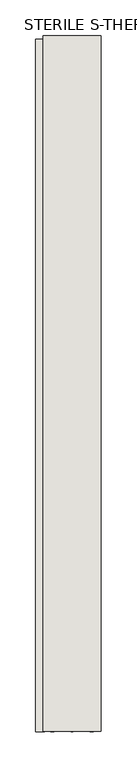
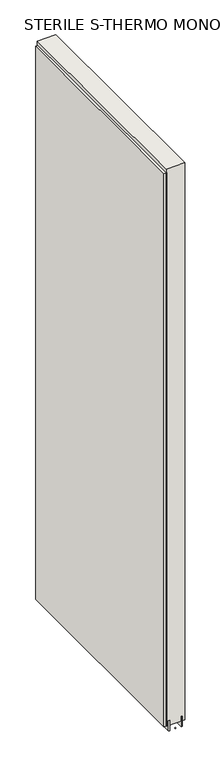
"""IFC4 building model written with IfcOpenShell, lengths in millimetres: wall geometry, STERILE S-THERMO MONO 490060 : STERILE S-THERMO MONO 490060."""

import ifcopenshell
import ifcopenshell.guid

model = None  # the IFC model being written
_history = None  # IfcOwnerHistory: only IFC2X3 demands one
_inside = {}  # id of a spatial element -> (the spatial element, [elements in it])
_under = {}  # id of a project, library or spatial element -> (it, [spatial elements below it])
_declared = {}  # id of a project -> (the project, [libraries it declares])
_typed = {}  # id of a type object -> (the type object, [elements of that type])
_made_of = {}  # id of a material, layer set ... -> (it, [elements and type objects made of it])


def new_model(schema):
    """Start an empty IFC model of exactly this schema.

    Asked for "IFC4X3", IfcOpenShell would pick the latest addendum, in which some entities
    have other attributes; the version numbers below select the first issue.
    IFC2X3 requires an IfcOwnerHistory on every rooted entity: one is made here for all.
    """
    global model, _history
    if schema == "IFC4X3":
        model = ifcopenshell.file(schema_version=(4, 3, 0, 0))
    else:
        model = ifcopenshell.file(schema=schema)
    _inside.clear()
    _under.clear()
    _declared.clear()
    _typed.clear()
    _made_of.clear()
    _history = None
    if model.schema == "IFC2X3":
        org = make("IfcOrganization", Name="unknown")
        user = make(
            "IfcPersonAndOrganization",
            ThePerson=make("IfcPerson", FamilyName="unknown"),
            TheOrganization=org,
        )
        app = make(
            "IfcApplication",
            ApplicationDeveloper=org,
            Version="unknown",
            ApplicationFullName="unknown",
            ApplicationIdentifier="unknown",
        )
        _history = make(
            "IfcOwnerHistory",
            OwningUser=user,
            OwningApplication=app,
            ChangeAction="ADDED",
            CreationDate=0,
        )
    return model


def make(cls, **values):
    """One entity of the class cls with the attributes given. An attribute that is None is left unset."""
    return model.create_entity(
        cls, **{name: value for name, value in values.items() if value is not None}
    )


def rooted(cls, **values):
    """An entity with a GlobalId (a new one), such as an element, a storey or a relation."""
    return make(cls, GlobalId=ifcopenshell.guid.new(), OwnerHistory=_history, **values)


def si_unit(unit_type, name, prefix=None):
    """IfcSIUnit, for example si_unit("LENGTHUNIT", "METRE", prefix="MILLI")."""
    return make("IfcSIUnit", UnitType=unit_type, Prefix=prefix, Name=name)


def assignment(units):
    """IfcUnitAssignment: the units of a project."""
    return None if units is None else make("IfcUnitAssignment", Units=units)


def point(xyz):
    """IfcCartesianPoint."""
    return None if xyz is None else make("IfcCartesianPoint", Coordinates=xyz)


def direction(xyz):
    """IfcDirection."""
    return None if xyz is None else make("IfcDirection", DirectionRatios=xyz)


def frame(location, z_axis=None, x_axis=None):
    """IfcAxis2Placement3D, a coordinate frame: its origin and axes. An axis left out is left unset."""
    return make(
        "IfcAxis2Placement3D",
        Location=point(location),
        Axis=direction(z_axis),
        RefDirection=direction(x_axis),
    )


def origin():
    """The frame at (0, 0, 0) with its axes left unset."""
    return frame((0.0, 0.0, 0.0))


def place(relative_to, where):
    """IfcLocalPlacement: puts the frame where relative to a parent placement (None: the world)."""
    return make(
        "IfcLocalPlacement", PlacementRelTo=relative_to, RelativePlacement=where
    )


def context(
    kind, dimensions, precision=None, world=None, true_north=None, identifier=None
):
    """IfcGeometricRepresentationContext, for example the 3D "Model" context."""
    return make(
        "IfcGeometricRepresentationContext",
        ContextIdentifier=identifier,
        ContextType=kind,
        CoordinateSpaceDimension=dimensions,
        Precision=precision,
        WorldCoordinateSystem=world,
        TrueNorth=true_north,
    )


def project(units=None, contexts=None):
    """IfcProject with its units and contexts."""
    return rooted(
        "IfcProject",
        Name="project",
        RepresentationContexts=contexts,
        UnitsInContext=assignment(units),
    )


def spatial(cls, under=None, at=None, **own):
    """A site, building, storey or space (cls), placed at a placement, below another one or the project."""
    s = rooted(cls, ObjectPlacement=at, **own)
    if under is not None:
        _under.setdefault(under.id(), (under, []))[1].append(s)
    return s


def polyline(points):
    """IfcPolyline through the points."""
    return make("IfcPolyline", Points=[point(p) for p in points])


def outline(outer, holes=None, kind="AREA"):
    """IfcArbitraryClosedProfileDef: a profile drawn as a closed curve; with holes, ...WithVoids."""
    if holes is None:
        return make("IfcArbitraryClosedProfileDef", ProfileType=kind, OuterCurve=outer)
    return make(
        "IfcArbitraryProfileDefWithVoids",
        ProfileType=kind,
        OuterCurve=outer,
        InnerCurves=holes,
    )


def extrude(swept, where, along, depth):
    """IfcExtrudedAreaSolid: the profile swept, set in the frame where, extruded along a direction by depth."""
    return make(
        "IfcExtrudedAreaSolid",
        SweptArea=swept,
        Position=where,
        ExtrudedDirection=direction(along),
        Depth=depth,
    )


def shape(context_of_items, identifier, shape_type, items):
    """IfcShapeRepresentation: the items that make up one representation, for example the "Body"."""
    return make(
        "IfcShapeRepresentation",
        ContextOfItems=context_of_items,
        RepresentationIdentifier=identifier,
        RepresentationType=shape_type,
        Items=items,
    )


def source(mapping_origin, context_of_items, identifier, shape_type, items):
    """IfcRepresentationMap: a shape defined once, which mapped items show again and again."""
    return make(
        "IfcRepresentationMap",
        MappingOrigin=mapping_origin,
        MappedRepresentation=shape(context_of_items, identifier, shape_type, items),
    )


def transform(
    local_origin,
    x_axis=None,
    y_axis=None,
    z_axis=None,
    scale=None,
    scale2=None,
    scale3=None,
    uniform=True,
):
    """IfcCartesianTransformationOperator3D, or its non-uniform kind. x_axis, y_axis, z_axis: its Axis1, 2, 3."""
    if uniform:
        return make(
            "IfcCartesianTransformationOperator3D",
            Axis1=direction(x_axis),
            Axis2=direction(y_axis),
            LocalOrigin=point(local_origin),
            Scale=scale,
            Axis3=direction(z_axis),
        )
    return make(
        "IfcCartesianTransformationOperator3DnonUniform",
        Axis1=direction(x_axis),
        Axis2=direction(y_axis),
        LocalOrigin=point(local_origin),
        Scale=scale,
        Axis3=direction(z_axis),
        Scale2=scale2,
        Scale3=scale3,
    )


def mapped(mapping_source, mapping_target):
    """IfcMappedItem: shows the shape of a source again, moved by a transform."""
    return make(
        "IfcMappedItem", MappingSource=mapping_source, MappingTarget=mapping_target
    )


def made_of(thing, what):
    """Note that an element or type object is made of a material, layer set ...; save() writes the relation."""
    if what is not None:
        _made_of.setdefault(what.id(), (what, []))[1].append(thing)
    return thing


def element(
    cls,
    number,
    at=None,
    inside=None,
    cuts=None,
    type_object=None,
    material=None,
    context=None,
    identifier="Body",
    shape_type=None,
    held_by="IfcProductDefinitionShape",
    body=None,
    shapes=None,
    **own,
):
    """One element of the class cls, such as IfcWall. Its Tag is "e" and its number.

    at: its placement. inside: the storey or other place that contains it. cuts: it is an
    opening in that element (IfcRelVoidsElement). A single representation is given by context,
    identifier, shape_type and body (its items); several are given by shapes. held_by: the class
    of the entity that holds the representations. save() writes the other relations.
    """
    e = rooted(cls, Tag="e%d" % number, ObjectPlacement=at, **own)
    if body is not None:
        shapes = [shape(context, identifier, shape_type, body)]
    if shapes is not None:
        e.Representation = make(held_by, Representations=shapes)
    if inside is not None:
        _inside.setdefault(inside.id(), (inside, []))[1].append(e)
    if cuts is not None:
        rooted(
            "IfcRelVoidsElement", RelatingBuildingElement=cuts, RelatedOpeningElement=e
        )
    if type_object is not None:
        _typed.setdefault(type_object.id(), (type_object, []))[1].append(e)
    return made_of(e, material)


def aggregate(whole, parts):
    """IfcRelAggregates: a whole, such as a stair, and the parts it consists of."""
    return rooted("IfcRelAggregates", RelatingObject=whole, RelatedObjects=parts)


def save(model, path):
    """Write the relations noted so far, then the file.

    IfcRelAggregates (storeys below a building ...), IfcRelContainedInSpatialStructure (elements
    in a storey), IfcRelDefinesByType, IfcRelAssociatesMaterial and IfcRelDeclares: one each for
    every whole, place, type object, material and project.
    """
    for whole, parts in _under.values():
        aggregate(whole, parts)
    for where, things in _inside.values():
        rooted(
            "IfcRelContainedInSpatialStructure",
            RelatedElements=things,
            RelatingStructure=where,
        )
    for kind, things in _typed.values():
        rooted("IfcRelDefinesByType", RelatedObjects=things, RelatingType=kind)
    for what, things in _made_of.values():
        rooted("IfcRelAssociatesMaterial", RelatedObjects=things, RelatingMaterial=what)
    for by, libraries in _declared.values():
        rooted("IfcRelDeclares", RelatingContext=by, RelatedDefinitions=libraries)
    model.write(path)


def sterile_s_thermo_mono_490060_sterile_s_thermo_mono_490060_de4ffd1d(model_context):
    return source(origin(), model_context, "Body", "SweptSolid", [
        extrude(outline(polyline([(59186.482211, -46920.9449946), (59186.482211, -46923.4849946), (59183.942211, -46923.4849946), (59183.942211, -46920.9449946), (59186.482211, -46920.9449946)])), frame((0.0, 0.0, 4419.6), z_axis=(0.0, 0.0, 1.0), x_axis=(1.0, 0.0, 0.0)), (0.0, 0.0, 1.0), 2.54),
        extrude(outline(polyline([(59134.412211, -46923.9516942), (59134.412211, -45957.6719402), (59147.112211, -45957.6719402), (59147.112211, -46923.9516942), (59134.412211, -46923.9516942)])), frame((0.0, 0.0, 4445.0), z_axis=(0.0, 0.0, 1.0), x_axis=(1.0, 0.0, 0.0)), (0.0, 0.0, 1.0), 2545.0498756),
        extrude(outline(polyline([(59160.1284664, -45953.198162), (59160.1284664, -46923.4769174), (59155.049711, -46923.4769174), (59155.049711, -45953.198162), (59160.1284664, -45953.198162)])), frame((0.0, 0.0, 4418.6602), z_axis=(0.0, 0.0, 1.0), x_axis=(1.0, 0.0, 0.0)), (0.0, 0.0, 1.0), 47.625),
        extrude(outline(polyline([(59160.1284664, -45953.198162), (59160.1284664, -46923.4769174), (59155.049711, -46923.4769174), (59155.049711, -45953.198162), (59160.1284664, -45953.198162)])), frame((0.0, 0.0, 4418.6602), z_axis=(0.0, 0.0, 1.0), x_axis=(1.0, 0.0, 0.0)), (0.0, 0.0, 1.0), 47.625),
        extrude(outline(polyline([(59210.2959556, -46923.4769174), (59210.2959556, -45953.198162), (59215.374711, -45953.198162), (59215.374711, -46923.4769174), (59210.2959556, -46923.4769174)])), frame((0.0, 0.0, 4418.6602), z_axis=(0.0, 0.0, 1.0), x_axis=(1.0, 0.0, 0.0)), (0.0, 0.0, 1.0), 47.625),
        extrude(outline(polyline([(59210.2959556, -46923.4769174), (59210.2959556, -45953.198162), (59215.374711, -45953.198162), (59215.374711, -46923.4769174), (59210.2959556, -46923.4769174)])), frame((0.0, 0.0, 4418.6602), z_axis=(0.0, 0.0, 1.0), x_axis=(1.0, 0.0, 0.0)), (0.0, 0.0, 1.0), 47.625),
        extrude(outline(polyline([(59144.5573266, -45953.198162), (59225.8670954, -45953.198162), (59225.8670954, -46923.4769174), (59144.5573266, -46923.4769174), (59144.5573266, -45953.198162)])), frame((0.0, 0.0, 4445.0), z_axis=(0.0, 0.0, 1.0), x_axis=(1.0, 0.0, 0.0)), (0.0, 0.0, 1.0), 2562.4536762),
    ])


if __name__ == "__main__":
    model = new_model("IFC4")
    model_context = context("Model", 3, world=origin())
    ifc_project = project(units=[si_unit("LENGTHUNIT", "METRE", prefix="MILLI")], contexts=[model_context])
    site = spatial("IfcSite", under=ifc_project)
    building = spatial("IfcBuilding", under=site)
    placement = place(None, origin())
    sterile_s_thermo_mono_490060_sterile_s_thermo_mono_490060_shape = sterile_s_thermo_mono_490060_sterile_s_thermo_mono_490060_de4ffd1d(model_context)
    element("IfcWall", 1, ObjectType="STERILE S-THERMO MONO 490060 : STERILE S-THERMO MONO 490060", at=placement, inside=building, context=model_context, shape_type="MappedRepresentation", body=[
        mapped(sterile_s_thermo_mono_490060_sterile_s_thermo_mono_490060_shape, transform((0.0, 0.0, 0.0), x_axis=(1.0, 0.0, 0.0), y_axis=(0.0, 1.0, 0.0), z_axis=(0.0, 0.0, 1.0))),
    ])
    save(model, "model.ifc")
